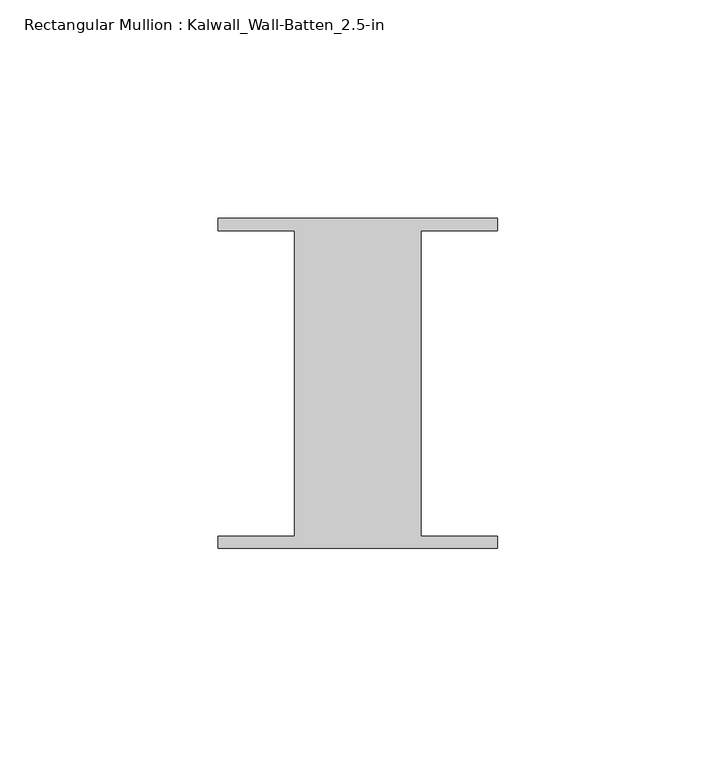
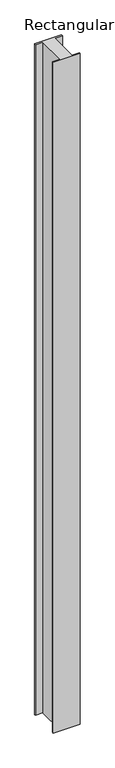
"""IFC4 building model written with IfcOpenShell, lengths in millimetres: member geometry, Rectangular Mullion : Kalwall_Wall-Batten_2.5-in."""

from ifc_helpers import new_model, si_unit, frame, origin, place, context, project, spatial, polyline, outline, extrude, source, transform, mapped, element, save


def rectangular_mullion_kalwall_wall_batten_2_5_in_393de2ea(model_context):
    return source(origin(), model_context, "Body", "SweptSolid", [
        extrude(outline(polyline([(-32.0, 36.524), (32.0, 36.524), (32.0, 33.73), (14.5, 33.73), (14.5, -36.27), (32.0, -36.27), (32.0, -39.064), (-32.0, -39.064), (-32.0, -36.27), (-14.5, -36.27), (-14.5, 33.73), (-32.0, 33.73), (-32.0, 36.524)])), frame((0.0, 0.0, -1677.95), z_axis=(0.0, 0.0, 1.0), x_axis=(1.0, 0.0, 0.0)), (0.0, 0.0, 1.0), 1677.95),
    ])


if __name__ == "__main__":
    model = new_model("IFC4")
    model_context = context("Model", 3, world=origin())
    ifc_project = project(units=[si_unit("LENGTHUNIT", "METRE", prefix="MILLI")], contexts=[model_context])
    site = spatial("IfcSite", under=ifc_project)
    building = spatial("IfcBuilding", under=site)
    placement = place(None, origin())
    rectangular_mullion_kalwall_wall_batten_2_5_in_shape = rectangular_mullion_kalwall_wall_batten_2_5_in_393de2ea(model_context)
    element("IfcMember", 1, ObjectType="Rectangular Mullion : Kalwall_Wall-Batten_2.5-in", at=placement, inside=building, context=model_context, shape_type="MappedRepresentation", body=[
        mapped(rectangular_mullion_kalwall_wall_batten_2_5_in_shape, transform((0.0, 0.0, 0.0), x_axis=(1.0, 0.0, 0.0), y_axis=(0.0, 1.0, 0.0), z_axis=(0.0, 0.0, 1.0))),
    ])
    save(model, "model.ifc")
